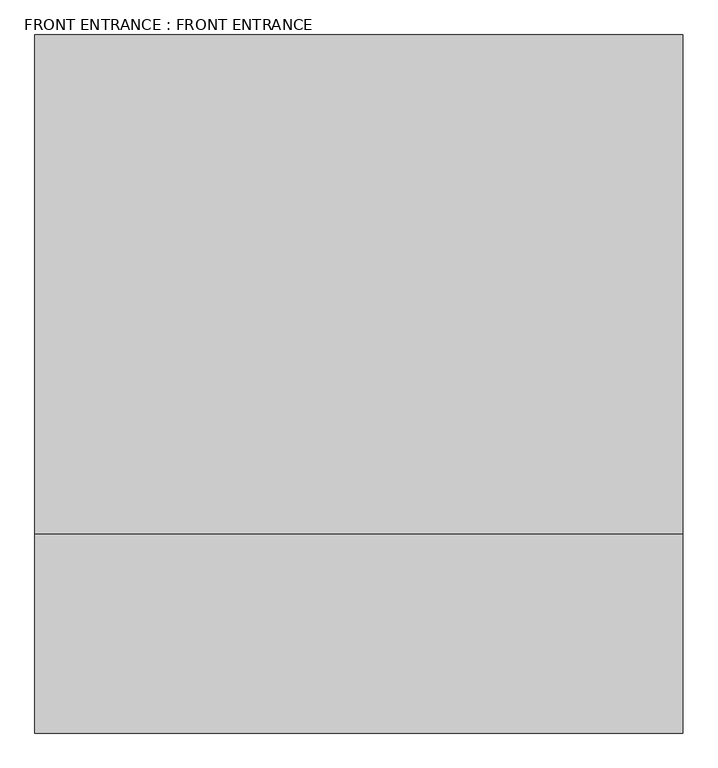
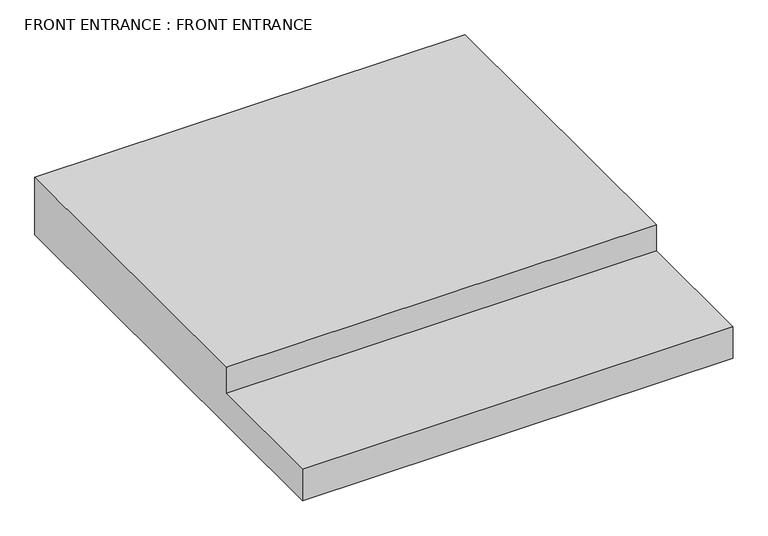
"""IFC4 building model written with IfcOpenShell, lengths in millimetres: proxy geometry, FRONT ENTRANCE : FRONT ENTRANCE."""

from ifc_helpers import new_model, si_unit, frame, origin, place, context, project, spatial, polyline, outline, extrude, source, transform, mapped, element, save


def front_entrance_front_entrance_3daf85fc(model_context):
    return source(origin(), model_context, "Body", "SweptSolid", [
        extrude(outline(polyline([(-11266.2498715, 0.0), (-9742.9534666, 0.0), (-9742.9534666, -279.4), (-11875.8498715, -279.4), (-11875.8498715, -127.0), (-11266.2498715, -127.0), (-11266.2498715, 0.0)])), frame((-8640.8698603, 0.0, 0.0), z_axis=(1.0, 0.0, 0.0), x_axis=(0.0, 1.0, 0.0)), (0.0, 0.0, 1.0), 1981.2),
    ])


if __name__ == "__main__":
    model = new_model("IFC4")
    model_context = context("Model", 3, world=origin())
    ifc_project = project(units=[si_unit("LENGTHUNIT", "METRE", prefix="MILLI")], contexts=[model_context])
    site = spatial("IfcSite", under=ifc_project)
    building = spatial("IfcBuilding", under=site)
    placement = place(None, origin())
    front_entrance_front_entrance_shape = front_entrance_front_entrance_3daf85fc(model_context)
    element("IfcBuildingElementProxy", 1, Name="FRONT ENTRANCE : FRONT ENTRANCE", ObjectType="FRONT ENTRANCE : FRONT ENTRANCE", at=placement, inside=building, context=model_context, shape_type="MappedRepresentation", body=[
        mapped(front_entrance_front_entrance_shape, transform((0.0, 0.0, 0.0), x_axis=(1.0, 0.0, 0.0), y_axis=(0.0, 1.0, 0.0), z_axis=(0.0, 0.0, 1.0))),
    ])
    save(model, "model.ifc")
